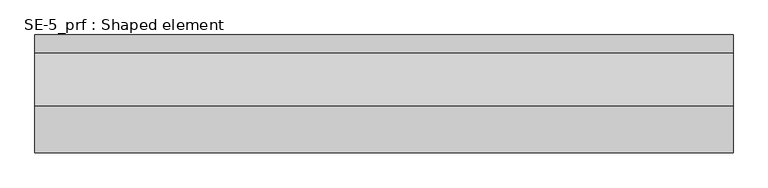
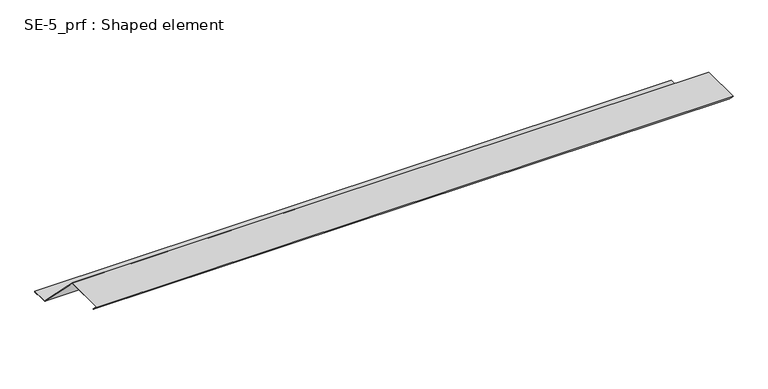
"""IFC4 building model written with IfcOpenShell, lengths in millimetres: proxy geometry, SE-5_prf : Shaped element."""

from ifc_helpers import new_model, si_unit, origin, place, context, project, spatial, faceted_brep, source, transform, mapped, element, save


def se_5_prf_shaped_element_e461b678(model_context):
    return source(origin(), model_context, "Body", "Brep", [
        faceted_brep([(0.0, 35.0, 18.1421356), (0.0, -65.0, 18.1421356), (1500.0, -65.0, 18.1421356), (1500.0, 35.0, 18.1421356), (0.0, 53.1421356, 0.0), (1500.0, 53.1421356, 0.0), (1500.0, 148.1730145, -95.0308789), (0.0, 148.1730145, -95.0308789), (0.0, 187.9619408, -95.0308789), (1500.0, 187.9619408, -95.0308789), (0.0, 187.9619408, -98.0308789), (1500.0, 187.9619408, -98.0308789), (0.0, 177.9619408, -98.0308789), (1500.0, 177.9619408, -98.0308789), (0.0, 177.9619408, -97.0308789), (1500.0, 177.9619408, -97.0308789), (0.0, 186.9619408, -97.0308789), (1500.0, 186.9619408, -97.0308789), (0.0, 186.9619408, -96.0308789), (1500.0, 186.9619408, -96.0308789), (0.0, 147.758801, -96.0308789), (1500.0, 147.758801, -96.0308789), (0.0, 34.5857864, 17.1421356), (0.0, 51.7279221, 0.0), (1500.0, 51.7279221, 0.0), (1500.0, 34.5857864, 17.1421356), (0.0, -62.5857864, 17.1421356), (1500.0, -62.5857864, 17.1421356), (0.0, -50.1507576, 4.7071068), (1500.0, -50.1507576, 4.7071068), (0.0, -50.8578644, 4.0), (1500.0, -50.8578644, 4.0)], [[[0, 1, 2, 3]], [[4, 0, 3, 5, 6, 7]], [[8, 7, 6, 9]], [[10, 8, 9, 11]], [[12, 10, 11, 13]], [[14, 12, 13, 15]], [[16, 14, 15, 17]], [[18, 16, 17, 19]], [[20, 18, 19, 21]], [[22, 23, 20, 21, 24, 25]], [[26, 22, 25, 27]], [[28, 26, 27, 29]], [[30, 28, 29, 31]], [[1, 30, 31, 2]], [[4, 23, 22, 26, 28, 30, 1, 0]], [[24, 5, 3, 2, 31, 29, 27, 25]], [[23, 4, 7, 8, 10, 12, 14, 16, 18, 20]], [[5, 24, 21, 19, 17, 15, 13, 11, 9, 6]]]),
    ])


if __name__ == "__main__":
    model = new_model("IFC4")
    model_context = context("Model", 3, world=origin())
    ifc_project = project(units=[si_unit("LENGTHUNIT", "METRE", prefix="MILLI")], contexts=[model_context])
    site = spatial("IfcSite", under=ifc_project)
    building = spatial("IfcBuilding", under=site)
    placement = place(None, origin())
    se_5_prf_shaped_element_shape = se_5_prf_shaped_element_e461b678(model_context)
    element("IfcBuildingElementProxy", 1, Name="SE-5_prf : Shaped element", ObjectType="SE-5_prf : Shaped element", at=placement, inside=building, context=model_context, shape_type="MappedRepresentation", body=[
        mapped(se_5_prf_shaped_element_shape, transform((0.0, 0.0, 0.0), x_axis=(1.0, 0.0, 0.0), y_axis=(0.0, 1.0, 0.0), z_axis=(0.0, 0.0, 1.0))),
    ])
    save(model, "model.ifc")
